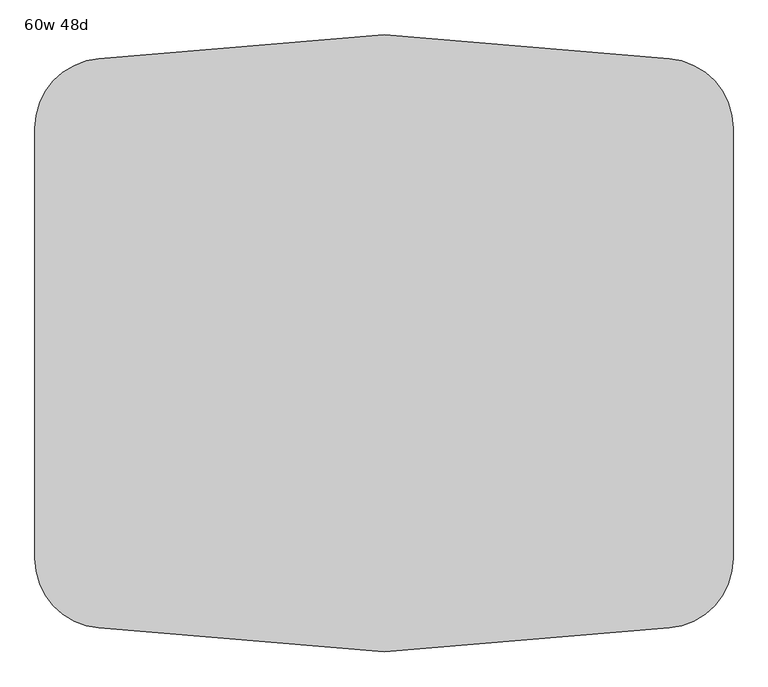
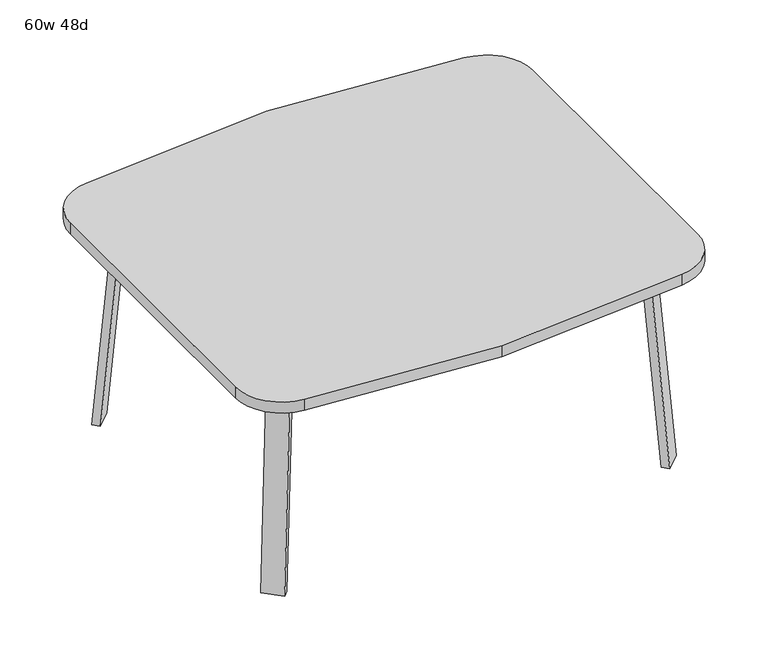
"""IFC4 building model written with IfcOpenShell, lengths in millimetres: furniture geometry, 60w 48d."""

import ifcopenshell
import ifcopenshell.guid

model = None  # the IFC model being written
_history = None  # IfcOwnerHistory: only IFC2X3 demands one
_inside = {}  # id of a spatial element -> (the spatial element, [elements in it])
_under = {}  # id of a project, library or spatial element -> (it, [spatial elements below it])
_declared = {}  # id of a project -> (the project, [libraries it declares])
_typed = {}  # id of a type object -> (the type object, [elements of that type])
_made_of = {}  # id of a material, layer set ... -> (it, [elements and type objects made of it])


def new_model(schema):
    """Start an empty IFC model of exactly this schema.

    Asked for "IFC4X3", IfcOpenShell would pick the latest addendum, in which some entities
    have other attributes; the version numbers below select the first issue.
    IFC2X3 requires an IfcOwnerHistory on every rooted entity: one is made here for all.
    """
    global model, _history
    if schema == "IFC4X3":
        model = ifcopenshell.file(schema_version=(4, 3, 0, 0))
    else:
        model = ifcopenshell.file(schema=schema)
    _inside.clear()
    _under.clear()
    _declared.clear()
    _typed.clear()
    _made_of.clear()
    _history = None
    if model.schema == "IFC2X3":
        org = make("IfcOrganization", Name="unknown")
        user = make(
            "IfcPersonAndOrganization",
            ThePerson=make("IfcPerson", FamilyName="unknown"),
            TheOrganization=org,
        )
        app = make(
            "IfcApplication",
            ApplicationDeveloper=org,
            Version="unknown",
            ApplicationFullName="unknown",
            ApplicationIdentifier="unknown",
        )
        _history = make(
            "IfcOwnerHistory",
            OwningUser=user,
            OwningApplication=app,
            ChangeAction="ADDED",
            CreationDate=0,
        )
    return model


def make(cls, **values):
    """One entity of the class cls with the attributes given. An attribute that is None is left unset."""
    return model.create_entity(
        cls, **{name: value for name, value in values.items() if value is not None}
    )


def rooted(cls, **values):
    """An entity with a GlobalId (a new one), such as an element, a storey or a relation."""
    return make(cls, GlobalId=ifcopenshell.guid.new(), OwnerHistory=_history, **values)


def si_unit(unit_type, name, prefix=None):
    """IfcSIUnit, for example si_unit("LENGTHUNIT", "METRE", prefix="MILLI")."""
    return make("IfcSIUnit", UnitType=unit_type, Prefix=prefix, Name=name)


def assignment(units):
    """IfcUnitAssignment: the units of a project."""
    return None if units is None else make("IfcUnitAssignment", Units=units)


def point(xyz):
    """IfcCartesianPoint."""
    return None if xyz is None else make("IfcCartesianPoint", Coordinates=xyz)


def direction(xyz):
    """IfcDirection."""
    return None if xyz is None else make("IfcDirection", DirectionRatios=xyz)


def frame(location, z_axis=None, x_axis=None):
    """IfcAxis2Placement3D, a coordinate frame: its origin and axes. An axis left out is left unset."""
    return make(
        "IfcAxis2Placement3D",
        Location=point(location),
        Axis=direction(z_axis),
        RefDirection=direction(x_axis),
    )


def frame_2d(location, x_axis=None):
    """IfcAxis2Placement2D, a coordinate frame in the plane: its origin and x axis."""
    return make(
        "IfcAxis2Placement2D", Location=point(location), RefDirection=direction(x_axis)
    )


def origin():
    """The frame at (0, 0, 0) with its axes left unset."""
    return frame((0.0, 0.0, 0.0))


def place(relative_to, where):
    """IfcLocalPlacement: puts the frame where relative to a parent placement (None: the world)."""
    return make(
        "IfcLocalPlacement", PlacementRelTo=relative_to, RelativePlacement=where
    )


def context(
    kind, dimensions, precision=None, world=None, true_north=None, identifier=None
):
    """IfcGeometricRepresentationContext, for example the 3D "Model" context."""
    return make(
        "IfcGeometricRepresentationContext",
        ContextIdentifier=identifier,
        ContextType=kind,
        CoordinateSpaceDimension=dimensions,
        Precision=precision,
        WorldCoordinateSystem=world,
        TrueNorth=true_north,
    )


def project(units=None, contexts=None):
    """IfcProject with its units and contexts."""
    return rooted(
        "IfcProject",
        Name="project",
        RepresentationContexts=contexts,
        UnitsInContext=assignment(units),
    )


def spatial(cls, under=None, at=None, **own):
    """A site, building, storey or space (cls), placed at a placement, below another one or the project."""
    s = rooted(cls, ObjectPlacement=at, **own)
    if under is not None:
        _under.setdefault(under.id(), (under, []))[1].append(s)
    return s


def polyline(points):
    """IfcPolyline through the points."""
    return make("IfcPolyline", Points=[point(p) for p in points])


def circle_curve(where, radius):
    """IfcCircle in the frame where."""
    return make("IfcCircle", Position=where, Radius=radius)


def trimmed(basis, trim1, trim2, sense, master):
    """IfcTrimmedCurve: the piece of a basis curve between two trims."""
    return make(
        "IfcTrimmedCurve",
        BasisCurve=basis,
        Trim1=trim1,
        Trim2=trim2,
        SenseAgreement=sense,
        MasterRepresentation=master,
    )


def segment(curve, same_sense, transition):
    """IfcCompositeCurveSegment."""
    return make(
        "IfcCompositeCurveSegment",
        Transition=transition,
        SameSense=same_sense,
        ParentCurve=curve,
    )


def composite_curve(segments, self_intersect=None):
    """IfcCompositeCurve: segments joined end to end."""
    return make("IfcCompositeCurve", Segments=segments, SelfIntersect=self_intersect)


def outline(outer, holes=None, kind="AREA"):
    """IfcArbitraryClosedProfileDef: a profile drawn as a closed curve; with holes, ...WithVoids."""
    if holes is None:
        return make("IfcArbitraryClosedProfileDef", ProfileType=kind, OuterCurve=outer)
    return make(
        "IfcArbitraryProfileDefWithVoids",
        ProfileType=kind,
        OuterCurve=outer,
        InnerCurves=holes,
    )


def extrude(swept, where, along, depth):
    """IfcExtrudedAreaSolid: the profile swept, set in the frame where, extruded along a direction by depth."""
    return make(
        "IfcExtrudedAreaSolid",
        SweptArea=swept,
        Position=where,
        ExtrudedDirection=direction(along),
        Depth=depth,
    )


def faces_of(points, faces, orient=None, outer=None):
    """IfcFace entities. A face is a list of loops; a loop is a list of indices into points, from 0.

    orient and outer hold one flag for each loop. By default every Orientation is true, the
    first loop of a face is its IfcFaceOuterBound and the others are IfcFaceBound.
    """
    made = []
    for i, loops in enumerate(faces):
        bounds = []
        for j, loop in enumerate(loops):
            is_outer = j == 0 if outer is None else outer[i][j]
            bounds.append(
                make(
                    "IfcFaceOuterBound" if is_outer else "IfcFaceBound",
                    Bound=make("IfcPolyLoop", Polygon=[points[k] for k in loop]),
                    Orientation=True if orient is None else orient[i][j],
                )
            )
        made.append(make("IfcFace", Bounds=bounds))
    return made


def faceted_brep(points, faces, orient=None, outer=None, voids=None):
    """IfcFacetedBrep: a solid bounded by flat faces; with voids (closed shells), ...WithVoids."""
    shared = [point(p) for p in points]
    hull = make("IfcClosedShell", CfsFaces=faces_of(shared, faces, orient, outer))
    if voids is None:
        return make("IfcFacetedBrep", Outer=hull)
    return make(
        "IfcFacetedBrepWithVoids",
        Outer=hull,
        Voids=[
            make(cls, CfsFaces=faces_of(shared, fs, o, b)) for cls, fs, o, b in voids
        ],
    )


def shape(context_of_items, identifier, shape_type, items):
    """IfcShapeRepresentation: the items that make up one representation, for example the "Body"."""
    return make(
        "IfcShapeRepresentation",
        ContextOfItems=context_of_items,
        RepresentationIdentifier=identifier,
        RepresentationType=shape_type,
        Items=items,
    )


def source(mapping_origin, context_of_items, identifier, shape_type, items):
    """IfcRepresentationMap: a shape defined once, which mapped items show again and again."""
    return make(
        "IfcRepresentationMap",
        MappingOrigin=mapping_origin,
        MappedRepresentation=shape(context_of_items, identifier, shape_type, items),
    )


def transform(
    local_origin,
    x_axis=None,
    y_axis=None,
    z_axis=None,
    scale=None,
    scale2=None,
    scale3=None,
    uniform=True,
):
    """IfcCartesianTransformationOperator3D, or its non-uniform kind. x_axis, y_axis, z_axis: its Axis1, 2, 3."""
    if uniform:
        return make(
            "IfcCartesianTransformationOperator3D",
            Axis1=direction(x_axis),
            Axis2=direction(y_axis),
            LocalOrigin=point(local_origin),
            Scale=scale,
            Axis3=direction(z_axis),
        )
    return make(
        "IfcCartesianTransformationOperator3DnonUniform",
        Axis1=direction(x_axis),
        Axis2=direction(y_axis),
        LocalOrigin=point(local_origin),
        Scale=scale,
        Axis3=direction(z_axis),
        Scale2=scale2,
        Scale3=scale3,
    )


def mapped(mapping_source, mapping_target):
    """IfcMappedItem: shows the shape of a source again, moved by a transform."""
    return make(
        "IfcMappedItem", MappingSource=mapping_source, MappingTarget=mapping_target
    )


def made_of(thing, what):
    """Note that an element or type object is made of a material, layer set ...; save() writes the relation."""
    if what is not None:
        _made_of.setdefault(what.id(), (what, []))[1].append(thing)
    return thing


def element(
    cls,
    number,
    at=None,
    inside=None,
    cuts=None,
    type_object=None,
    material=None,
    context=None,
    identifier="Body",
    shape_type=None,
    held_by="IfcProductDefinitionShape",
    body=None,
    shapes=None,
    **own,
):
    """One element of the class cls, such as IfcWall. Its Tag is "e" and its number.

    at: its placement. inside: the storey or other place that contains it. cuts: it is an
    opening in that element (IfcRelVoidsElement). A single representation is given by context,
    identifier, shape_type and body (its items); several are given by shapes. held_by: the class
    of the entity that holds the representations. save() writes the other relations.
    """
    e = rooted(cls, Tag="e%d" % number, ObjectPlacement=at, **own)
    if body is not None:
        shapes = [shape(context, identifier, shape_type, body)]
    if shapes is not None:
        e.Representation = make(held_by, Representations=shapes)
    if inside is not None:
        _inside.setdefault(inside.id(), (inside, []))[1].append(e)
    if cuts is not None:
        rooted(
            "IfcRelVoidsElement", RelatingBuildingElement=cuts, RelatedOpeningElement=e
        )
    if type_object is not None:
        _typed.setdefault(type_object.id(), (type_object, []))[1].append(e)
    return made_of(e, material)


def aggregate(whole, parts):
    """IfcRelAggregates: a whole, such as a stair, and the parts it consists of."""
    return rooted("IfcRelAggregates", RelatingObject=whole, RelatedObjects=parts)


def save(model, path):
    """Write the relations noted so far, then the file.

    IfcRelAggregates (storeys below a building ...), IfcRelContainedInSpatialStructure (elements
    in a storey), IfcRelDefinesByType, IfcRelAssociatesMaterial and IfcRelDeclares: one each for
    every whole, place, type object, material and project.
    """
    for whole, parts in _under.values():
        aggregate(whole, parts)
    for where, things in _inside.values():
        rooted(
            "IfcRelContainedInSpatialStructure",
            RelatedElements=things,
            RelatingStructure=where,
        )
    for kind, things in _typed.values():
        rooted("IfcRelDefinesByType", RelatedObjects=things, RelatingType=kind)
    for what, things in _made_of.values():
        rooted("IfcRelAssociatesMaterial", RelatedObjects=things, RelatingMaterial=what)
    for by, libraries in _declared.values():
        rooted("IfcRelDeclares", RelatingContext=by, RelatedDefinitions=libraries)
    model.write(path)


def furniture_60w_48d_f17e7273(model_context):
    return source(origin(), model_context, "Body", "SolidModel", [
        faceted_brep([(453.8753042, -426.4920519, 695.325), (493.3884312, -386.978925, 695.325), (548.5047531, -442.0952469, 695.325), (541.8631053, -448.7368947, 695.325), (480.8160726, -453.4328203, 695.325), (601.1368947, -389.4631053, 695.325), (595.2020849, -395.3979151, 695.325), (540.085763, -340.2815931, 695.325), (579.5988899, -300.7684662, 695.325), (606.5396583, -327.7092346, 695.325), (453.8753042, -426.4920519, 698.5), (480.8160726, -453.4328203, 698.5), (541.8631053, -448.7368947, 698.5), (601.1368947, -389.4631053, 698.5), (606.5396583, -327.7092346, 698.5), (579.5988899, -300.7684662, 698.5), (548.5047531, -442.0952469, 673.1), (595.2020849, -395.3979151, 673.1), (503.6034725, -397.1939663, 673.1), (550.3008043, -350.4966345, 673.1)], [[[0, 1, 2, 3, 4]], [[5, 6, 7, 8, 9]], [[10, 11, 12, 13, 14, 15]], [[4, 11, 10, 0]], [[3, 12, 11, 4]], [[12, 3, 2, 16, 17, 6, 5, 13]], [[9, 14, 13, 5]], [[8, 15, 14, 9]], [[15, 8, 7, 1, 0, 10]], [[2, 1, 18, 16]], [[7, 6, 17, 19]], [[18, 19, 17, 16]], [[1, 7, 19, 18]]]),
        extrude(outline(composite_curve([segment(polyline([(-698.9257667, 0.0), (-704.4601563, 63.2583633), (-679.156811, 65.4721192), (-677.172355, 42.7896831)]), True, "CONTINUOUS"), segment(trimmed(circle_curve(frame_2d((-658.194846, 44.45)), 19.05), [point((-677.172355, 42.7896831))], [point((-658.194846, 25.4))], True, "CARTESIAN"), True, "CONTINUOUS"), segment(polyline([(-658.194846, 25.4), (0.0201778, 25.4), (2.2423899, 0.0), (-698.9257667, 0.0)]), True, "CONTINUOUS")], self_intersect=False)), frame((634.7792647, -531.7706733, 2.2338569), z_axis=(0.7071067811865512, 0.707106781186544, 0.0), x_axis=(0.06162841671622733, -0.06162841671621349, -0.9961946980917454)), (0.0, 0.0, 1.0), 69.85),
        faceted_brep([(453.8753042, 426.4920519, 695.325), (480.8160726, 453.4328203, 695.325), (541.8631053, 448.7368947, 695.325), (548.5047531, 442.0952469, 695.325), (493.3884312, 386.978925, 695.325), (601.1368947, 389.4631053, 695.325), (606.5396583, 327.7092346, 695.325), (579.5988899, 300.7684662, 695.325), (540.085763, 340.2815931, 695.325), (595.2020849, 395.3979151, 695.325), (453.8753042, 426.4920519, 698.5), (579.5988899, 300.7684662, 698.5), (606.5396583, 327.7092346, 698.5), (601.1368947, 389.4631053, 698.5), (541.8631053, 448.7368947, 698.5), (480.8160726, 453.4328203, 698.5), (595.2020849, 395.3979151, 673.1), (548.5047531, 442.0952469, 673.1), (503.6034725, 397.1939663, 673.1), (550.3008043, 350.4966345, 673.1)], [[[0, 1, 2, 3, 4]], [[5, 6, 7, 8, 9]], [[10, 11, 12, 13, 14, 15]], [[1, 0, 10, 15]], [[2, 1, 15, 14]], [[14, 13, 5, 9, 16, 17, 3, 2]], [[6, 5, 13, 12]], [[7, 6, 12, 11]], [[11, 10, 0, 4, 8, 7]], [[3, 17, 18, 4]], [[8, 19, 16, 9]], [[18, 17, 16, 19]], [[4, 18, 19, 8]]]),
        extrude(outline(composite_curve([segment(polyline([(698.9257667, 0.0), (704.4601563, -63.2583633), (679.156811, -65.4721192), (677.172355, -42.7896831)]), True, "CONTINUOUS"), segment(trimmed(circle_curve(frame_2d((658.194846, -44.45)), 19.05), [point((677.172355, -42.7896831))], [point((658.194846, -25.4))], True, "CARTESIAN"), True, "CONTINUOUS"), segment(polyline([(658.194846, -25.4), (-0.0201778, -25.4), (-2.2423899, 0.0), (698.9257667, 0.0)]), True, "CONTINUOUS")], self_intersect=False)), frame((684.1706733, 482.3792647, 2.2338569), z_axis=(-0.7071067811865512, 0.707106781186544, 0.0), x_axis=(-0.06162841671622733, -0.06162841671621349, 0.9961946980917454)), (0.0, 0.0, 1.0), 69.85),
        faceted_brep([(-453.8753042, 426.4920519, 695.325), (-493.3884312, 386.978925, 695.325), (-548.5047531, 442.0952469, 695.325), (-541.8631053, 448.7368947, 695.325), (-480.8160726, 453.4328203, 695.325), (-601.1368947, 389.4631053, 695.325), (-595.2020849, 395.3979151, 695.325), (-540.085763, 340.2815931, 695.325), (-579.5988899, 300.7684662, 695.325), (-606.5396583, 327.7092346, 695.325), (-453.8753042, 426.4920519, 698.5), (-480.8160726, 453.4328203, 698.5), (-541.8631053, 448.7368947, 698.5), (-601.1368947, 389.4631053, 698.5), (-606.5396583, 327.7092346, 698.5), (-579.5988899, 300.7684662, 698.5), (-548.5047531, 442.0952469, 673.1), (-595.2020849, 395.3979151, 673.1), (-503.6034725, 397.1939663, 673.1), (-550.3008043, 350.4966345, 673.1)], [[[0, 1, 2, 3, 4]], [[5, 6, 7, 8, 9]], [[10, 11, 12, 13, 14, 15]], [[4, 11, 10, 0]], [[3, 12, 11, 4]], [[12, 3, 2, 16, 17, 6, 5, 13]], [[9, 14, 13, 5]], [[8, 15, 14, 9]], [[15, 8, 7, 1, 0, 10]], [[2, 1, 18, 16]], [[7, 6, 17, 19]], [[18, 19, 17, 16]], [[1, 7, 19, 18]]]),
        extrude(outline(composite_curve([segment(polyline([(698.9257667, 0.0), (-2.2423899, 0.0), (-0.0201778, 25.4), (658.194846, 25.4)]), True, "CONTINUOUS"), segment(trimmed(circle_curve(frame_2d((658.194846, 44.45)), 19.05), [point((658.194846, 25.4))], [point((677.172355, 42.7896831))], True, "CARTESIAN"), True, "CONTINUOUS"), segment(polyline([(677.172355, 42.7896831), (679.156811, 65.4721192), (704.4601563, 63.2583633), (698.9257667, 0.0)]), True, "CONTINUOUS")], self_intersect=False)), frame((-684.1706733, 482.3792647, 2.2338569), z_axis=(0.7071067811865512, 0.707106781186544, 0.0), x_axis=(0.06162841671622733, -0.06162841671621349, 0.9961946980917454)), (0.0, 0.0, 1.0), 69.85),
        faceted_brep([(-453.8753042, -426.4920519, 695.325), (-480.8160726, -453.4328203, 695.325), (-541.8631053, -448.7368947, 695.325), (-548.5047531, -442.0952469, 695.325), (-493.3884312, -386.978925, 695.325), (-601.1368947, -389.4631053, 695.325), (-606.5396583, -327.7092346, 695.325), (-579.5988899, -300.7684662, 695.325), (-540.085763, -340.2815931, 695.325), (-595.2020849, -395.3979151, 695.325), (-453.8753042, -426.4920519, 698.5), (-579.5988899, -300.7684662, 698.5), (-606.5396583, -327.7092346, 698.5), (-601.1368947, -389.4631053, 698.5), (-541.8631053, -448.7368947, 698.5), (-480.8160726, -453.4328203, 698.5), (-595.2020849, -395.3979151, 673.1), (-548.5047531, -442.0952469, 673.1), (-503.6034725, -397.1939663, 673.1), (-550.3008043, -350.4966345, 673.1)], [[[0, 1, 2, 3, 4]], [[5, 6, 7, 8, 9]], [[10, 11, 12, 13, 14, 15]], [[1, 0, 10, 15]], [[2, 1, 15, 14]], [[14, 13, 5, 9, 16, 17, 3, 2]], [[6, 5, 13, 12]], [[7, 6, 12, 11]], [[11, 10, 0, 4, 8, 7]], [[3, 17, 18, 4]], [[8, 19, 16, 9]], [[18, 17, 16, 19]], [[4, 18, 19, 8]]]),
        extrude(outline(composite_curve([segment(polyline([(-698.9257667, 0.0), (2.2423899, 0.0), (0.0201778, -25.4), (-658.194846, -25.4)]), True, "CONTINUOUS"), segment(trimmed(circle_curve(frame_2d((-658.194846, -44.45)), 19.05), [point((-658.194846, -25.4))], [point((-677.172355, -42.7896831))], True, "CARTESIAN"), True, "CONTINUOUS"), segment(polyline([(-677.172355, -42.7896831), (-679.156811, -65.4721192), (-704.4601563, -63.2583633), (-698.9257667, 0.0)]), True, "CONTINUOUS")], self_intersect=False)), frame((-634.7792647, -531.7706733, 2.2338569), z_axis=(-0.7071067811865512, 0.707106781186544, 0.0), x_axis=(-0.06162841671622733, -0.06162841671621349, -0.9961946980917454)), (0.0, 0.0, 1.0), 69.85),
        extrude(outline(composite_curve([segment(trimmed(circle_curve(frame_2d((-609.6, 469.3717488)), 152.4), [point((-762.0, 469.3717488))], [point((-622.2561311, 621.2453224))], False, "CARTESIAN"), True, "CONTINUOUS"), segment(polyline([(-622.2561311, 621.2453224), (0.0, 673.1), (622.2561311, 621.2453224)]), True, "CONTINUOUS"), segment(trimmed(circle_curve(frame_2d((609.6, 469.3717488)), 152.4), [point((622.2561311, 621.2453224))], [point((762.0, 469.3717488))], False, "CARTESIAN"), True, "CONTINUOUS"), segment(polyline([(762.0, 469.3717488), (762.0, -469.3717488)]), True, "CONTINUOUS"), segment(trimmed(circle_curve(frame_2d((609.6, -469.3717488)), 152.4), [point((762.0, -469.3717488))], [point((622.2561311, -621.2453224))], False, "CARTESIAN"), True, "CONTINUOUS"), segment(polyline([(622.2561311, -621.2453224), (0.0, -673.1), (-622.2561311, -621.2453224)]), True, "CONTINUOUS"), segment(trimmed(circle_curve(frame_2d((-609.6, -469.3717488)), 152.4), [point((-622.2561311, -621.2453224))], [point((-762.0, -469.3717488))], False, "CARTESIAN"), True, "CONTINUOUS"), segment(polyline([(-762.0, -469.3717488), (-762.0, 469.3717488)]), True, "CONTINUOUS")], self_intersect=False)), frame((0.0, 0.0, 698.5), z_axis=(0.0, 0.0, 1.0), x_axis=(1.0, 0.0, 0.0)), (0.0, 0.0, 1.0), 38.1),
    ])


if __name__ == "__main__":
    model = new_model("IFC4")
    model_context = context("Model", 3, world=origin())
    ifc_project = project(units=[si_unit("LENGTHUNIT", "METRE", prefix="MILLI")], contexts=[model_context])
    site = spatial("IfcSite", under=ifc_project)
    building = spatial("IfcBuilding", under=site)
    placement = place(None, origin())
    furniture_60w_48d_shape = furniture_60w_48d_f17e7273(model_context)
    element("IfcFurniture", 1, ObjectType="60w 48d", at=placement, inside=building, context=model_context, shape_type="MappedRepresentation", body=[
        mapped(furniture_60w_48d_shape, transform((0.0, 0.0, 0.0), x_axis=(1.0, 0.0, 0.0), y_axis=(0.0, 1.0, 0.0), z_axis=(0.0, 0.0, 1.0))),
    ])
    save(model, "model.ifc")
